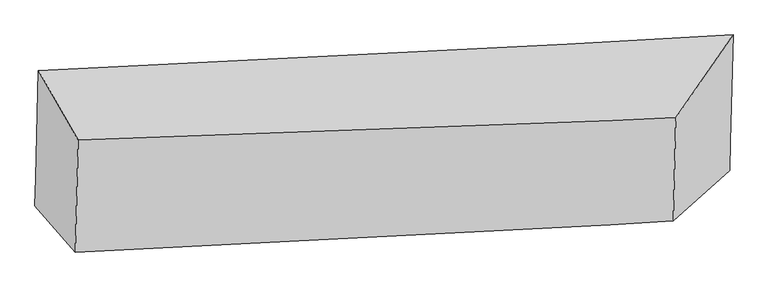
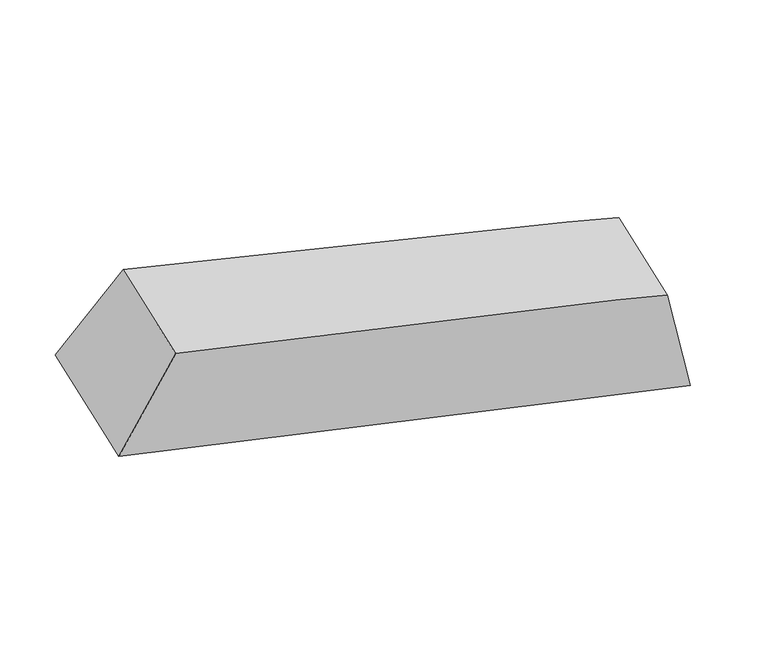
"""IFC4 building model written with IfcOpenShell, lengths in millimetres: proxy geometry."""

from ifc_helpers import new_model, si_unit, frame, origin, place, context, project, spatial, source, transform, mapped, element, save
from ifc_brep_helpers import plane_surface, spline_curve, spline_surface, advanced_brep


def generic_models_896aced8(model_context):
    return source(origin(), model_context, "Body", "AdvancedBrep", [
        advanced_brep(
        [(-1483.6112704, -2181.0216498, 3273.72466), (-1470.9583529, -1681.7103003, 3432.599679), (1753.9483724, -1516.1754634, 2616.5462252), (1741.363386, -2012.8061057, 2458.5241758), (-1286.1950935, -2005.4343129, 4059.073695), (1488.3899851, -1901.4908269, 3326.0073595), (-1299.3910302, -2526.1743688, 3893.3803128), (1476.2498537, -2380.5665352, 3173.5710844), (-1486.9072245, -2311.0870879, 3232.3393622), (1737.9836798, -2146.1765863, 2416.0872521)],
        [
            (0, 1),
            (1, 2, spline_curve(3, [(-1470.9583529, -1681.7103003, 3432.599679), (-872.375930548, -1659.300201324, 3279.106722758), (-53.780795759, -1618.864583205, 3071.578366708), (1229.036971967, -1546.657362786, 2748.512606505), (1485.410745414, -1531.91470197, 2684.023144721), (1753.9483724, -1516.1754634, 2616.5462252)], [4, 2, 4], [0.0, 8.847241143788272, 10.9275104749046])),
            (2, 3),
            (3, 0, spline_curve(3, [(1741.363386, -2012.8061057, 2458.5241758), (1473.004870966, -2021.477201861, 2528.250095436), (1216.775291221, -2030.52966552, 2594.550111207), (-65.468459115, -2080.084926749, 2924.823459531), (-884.230431425, -2127.104310942, 3130.25693825), (-1483.6112704, -2181.0216498, 3273.72466)], [4, 2, 4], [0.0, 2.0802693311163285, 10.9275104749046])),
            (1, 4),
            (4, 5, spline_curve(3, [(-1286.1950935, -2005.4343129, 4059.073695), (-126.114145058, -1967.248001097, 3769.156636745), (700.978012235, -1937.266794454, 3553.789943875), (1311.26088128, -1910.370434646, 3379.86319445), (1409.030416854, -1905.703812755, 3350.874442133), (1488.3899851, -1901.4908269, 3326.0073595)], [4, 2, 4], [0.0, 8.23743264159376, 10.174316491931156])),
            (5, 2),
            (4, 6),
            (6, 7, spline_curve(3, [(-1299.3910302, -2526.1743688, 3893.3803128), (-138.887984243, -2471.331185149, 3608.763275931), (688.515221416, -2429.07533906, 3397.30222945), (1299.045116016, -2392.430815327, 3226.47723155), (1396.855538334, -2386.150716895, 3198.001868616), (1476.2498537, -2380.5665352, 3173.5710844)], [4, 2, 4], [0.0, 0.8096300766863836, 1.0])),
            (7, 5),
            (6, 8),
            (8, 9, spline_curve(3, [(-1486.9072245, -2311.0870879, 3232.3393622), (-888.210954322, -2284.18430832, 3080.275924605), (-69.597603081, -2243.029836142, 2872.976299139), (1213.124546436, -2174.595910529, 2548.709920581), (1469.474830031, -2160.780215434, 2483.925509217), (1737.9836798, -2146.1765863, 2416.0872521)], [4, 2, 4], [0.0, 8.236924874502712, 10.173689332558414])),
            (9, 7),
            (8, 0),
            (3, 9),
        ],
        [
            spline_surface(3, 3, [[(-1483.6112704, -2181.0216498, 3273.72466), (-884.230431514, -2127.104310928, 3130.256938369), (-65.468459136, -2080.084926617, 2924.823459473), (1216.775291226, -2030.529665551, 2594.550111221), (1473.004870967, -2021.47720186, 2528.250095403), (1741.363386, -2012.8061057, 2458.5241758)], [(-1479.393631233, -2014.584533304, 3326.682999666), (-880.27893124, -1971.16960777, 3179.873533209), (-61.572571357, -1926.344812176, 2973.741761905), (1220.862518119, -1869.238897946, 2645.87094299), (1477.140162456, -1858.28970189, 2580.174445179), (1745.558381468, -1847.262558266, 2511.198192264)], [(-1475.175992067, -1848.147416796, 3379.641339334), (-876.327430965, -1815.234904599, 3229.490128052), (-57.676683521, -1772.60469776, 3022.660064308), (1224.94974507, -1707.948130365, 2697.191774728), (1481.275453941, -1695.102201923, 2632.098794963), (1749.753376932, -1681.719010834, 2563.872208736)], [(-1470.9583529, -1681.7103003, 3432.599679), (-872.375930691, -1659.300201441, 3279.106722892), (-53.780795742, -1618.86458332, 3071.57836674), (1229.036971963, -1546.657362759, 2748.512606497), (1485.410745431, -1531.914701953, 2684.023144739), (1753.9483724, -1516.1754634, 2616.5462252)]], [4, 4], [4, 2, 4], [0.0, 1.6167647738490063], [0.0, 8.847241143788272, 10.9275104749046]),
            spline_surface(3, 3, [[(-1470.9583529, -1681.7103003, 3432.599679), (-872.375930691, -1659.300201441, 3279.106722892), (-53.780795742, -1618.86458332, 3071.57836674), (1229.036971963, -1546.657362759, 2748.512606497), (1485.410745431, -1531.914701953, 2684.023144739), (1753.9483724, -1516.1754634, 2616.5462252)], [(-1409.370599759, -1789.618304501, 3641.424350997), (-623.622002107, -1761.949467981, 3442.456694177), (197.805473621, -1724.998653659, 3232.31555913), (1256.44494174, -1667.895053393, 2958.962802492), (1459.950635904, -1656.511072222, 2906.306910555), (1665.428909967, -1644.613917902, 2853.033269975)], [(-1347.782846641, -1897.526308699, 3850.249023003), (-374.868073544, -1864.598734519, 3605.806665472), (449.391742953, -1831.132724009, 3393.052751488), (1283.852911484, -1789.132744037, 3169.412998455), (1434.490526374, -1781.107442484, 3128.590676346), (1576.909447533, -1773.052372398, 3089.520314725)], [(-1286.1950935, -2005.4343129, 4059.073695), (-126.114144959, -1967.248001059, 3769.156636756), (700.978012316, -1937.266794348, 3553.789943878), (1311.260881261, -1910.370434671, 3379.863194449), (1409.030416847, -1905.703812753, 3350.874442162), (1488.3899851, -1901.4908269, 3326.0073595)]], [4, 4], [4, 2, 4], [0.0, 2.798221271805711], [0.0, 8.23743264159376, 10.174316491931156]),
            spline_surface(3, 3, [[(-1286.1950935, -2005.4343129, 4059.073695), (-126.114144959, -1967.248001059, 3769.156636756), (700.978012316, -1937.266794348, 3553.789943878), (1311.260881261, -1910.370434671, 3379.863194449), (1409.030416847, -1905.703812753, 3350.874442162), (1488.3899851, -1901.4908269, 3326.0073595)], [(-1290.59373907, -2179.014331536, 4003.842567595), (-130.372091394, -2135.275729091, 3715.692183144), (696.823748683, -2101.202975943, 3501.627372384), (1307.188959514, -2071.057228252, 3328.734540136), (1404.972123995, -2065.85278082, 3299.916917623), (1484.343274619, -2061.182729687, 3275.195267776)], [(-1294.99238463, -2352.594350164, 3948.611440205), (-134.63003782, -2303.303457115, 3662.227729546), (692.669485046, -2265.139157454, 3449.464800934), (1303.117037763, -2231.744021749, 3277.605885865), (1400.913831186, -2226.001748827, 3248.959393156), (1480.296564181, -2220.874632413, 3224.383176124)], [(-1299.3910302, -2526.1743688, 3893.3803128), (-138.887984255, -2471.331185146, 3608.763275933), (688.515221412, -2429.075339049, 3397.30222944), (1299.045116016, -2392.43081533, 3226.477231552), (1396.855538334, -2386.150716894, 3198.001868617), (1476.2498537, -2380.5665352, 3173.5710844)]], [4, 4], [4, 2, 4], [0.0, 1.0], [0.0, 0.8096300766863836, 1.0]),
            spline_surface(3, 3, [[(-1299.3910302, -2526.1743688, 3893.3803128), (-138.887984255, -2471.331185146, 3608.763275933), (688.515221412, -2429.075339049, 3397.30222944), (1299.045116016, -2392.43081533, 3226.477231552), (1396.855538334, -2386.150716894, 3198.001868617), (1476.2498537, -2380.5665352, 3173.5710844)], [(-1361.896428282, -2454.478608469, 3673.033329246), (-388.662307635, -2408.948892795, 3432.600825429), (435.810946547, -2367.060171386, 3222.526919335), (1270.40492616, -2319.819180399, 3000.554794577), (1421.061968889, -2311.02721639, 2959.976415512), (1563.494462396, -2302.436552209, 2921.076473654)], [(-1424.401826418, -2382.782848231, 3452.686345754), (-638.436631068, -2346.566600537, 3256.438374986), (183.106671693, -2305.045003731, 3047.751609195), (1241.764736314, -2247.207545477, 2774.632357567), (1445.268399455, -2235.903715959, 2721.950962344), (1650.739071104, -2224.306569291, 2668.581862846)], [(-1486.9072245, -2311.0870879, 3232.3393622), (-888.210954448, -2284.184308186, 3080.275924481), (-69.597603172, -2243.029836067, 2872.97629909), (1213.124546458, -2174.595910547, 2548.709920592), (1469.47483001, -2160.780215455, 2483.925509239), (1737.9836798, -2146.1765863, 2416.0872521)]], [4, 4], [4, 2, 4], [0.0, 2.7619058433877677], [0.0, 8.236924874502712, 10.173689332558414]),
            spline_surface(3, 3, [[(-1486.9072245, -2311.0870879, 3232.3393622), (-888.210954448, -2284.184308186, 3080.275924481), (-69.597603172, -2243.029836067, 2872.97629909), (1213.124546458, -2174.595910547, 2548.709920592), (1469.47483001, -2160.780215455, 2483.925509239), (1737.9836798, -2146.1765863, 2416.0872521)], [(-1485.808573155, -2267.73194189, 3246.134461496), (-886.884113492, -2231.824309124, 3096.936262473), (-68.221221816, -2188.714866237, 2890.258685867), (1214.341461391, -2126.573828868, 2563.989984117), (1470.651510345, -2114.345877593, 2498.700371291), (1739.110248549, -2101.719759436, 2430.232893331)], [(-1484.709921745, -2224.37679581, 3259.929560704), (-885.55727247, -2179.464309991, 3113.596600377), (-66.844840492, -2134.399896447, 2907.541072696), (1215.558376292, -2078.55174723, 2579.270047696), (1471.828190632, -2067.911539722, 2513.47523335), (1740.236817251, -2057.262932564, 2444.378534569)], [(-1483.6112704, -2181.0216498, 3273.72466), (-884.230431514, -2127.104310928, 3130.256938369), (-65.468459136, -2080.084926617, 2924.823459473), (1216.775291226, -2030.529665551, 2594.550111221), (1473.004870967, -2021.47720186, 2528.250095403), (1741.363386, -2012.8061057, 2458.5241758)]], [4, 4], [4, 2, 4], [0.0, 0.5369646989276535], [0.0, 8.847318317197068, 10.927605794249839]),
            plane_surface(frame((1614.1429727, -1986.1023529, 2883.0529803), z_axis=(0.9492965878926085, -0.11691403974896392, 0.2918340205065696), x_axis=(0.31345368393805023, 0.2807065257167357, -0.9071662661528507))),
            plane_surface(frame((-1385.8629253, -2131.1015175, 3654.3482623), z_axis=(-0.9651884108230069, -0.05678061701509194, 0.25531802353994526), x_axis=(-0.024140758917573016, -0.9526462899363756, -0.3031208835256041))),
        ],
        [
            (0, [[1, 2, 3, 4]]),
            (1, [[5, 6, 7, -2]]),
            (2, [[8, 9, 10, -6]]),
            (3, [[11, 12, 13, -9]]),
            (4, [[14, -4, 15, -12]]),
            (5, [[-13, -15, -3, -7, -10]]),
            (6, [[-14, -11, -8, -5, -1]]),
        ],
    ),
    ])


if __name__ == "__main__":
    model = new_model("IFC4")
    model_context = context("Model", 3, world=origin())
    ifc_project = project(units=[si_unit("LENGTHUNIT", "METRE", prefix="MILLI")], contexts=[model_context])
    site = spatial("IfcSite", under=ifc_project)
    building = spatial("IfcBuilding", under=site)
    placement = place(None, origin())
    generic_models_shape = generic_models_896aced8(model_context)
    element("IfcBuildingElementProxy", 1, Name="Generic Models", at=placement, inside=building, context=model_context, shape_type="MappedRepresentation", body=[
        mapped(generic_models_shape, transform((0.0, 0.0, 0.0), x_axis=(1.0, 0.0, 0.0), y_axis=(0.0, 1.0, 0.0), z_axis=(0.0, 0.0, 1.0))),
    ])
    save(model, "model.ifc")
